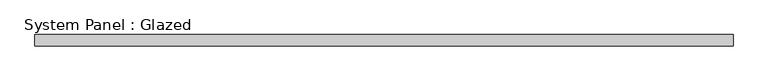
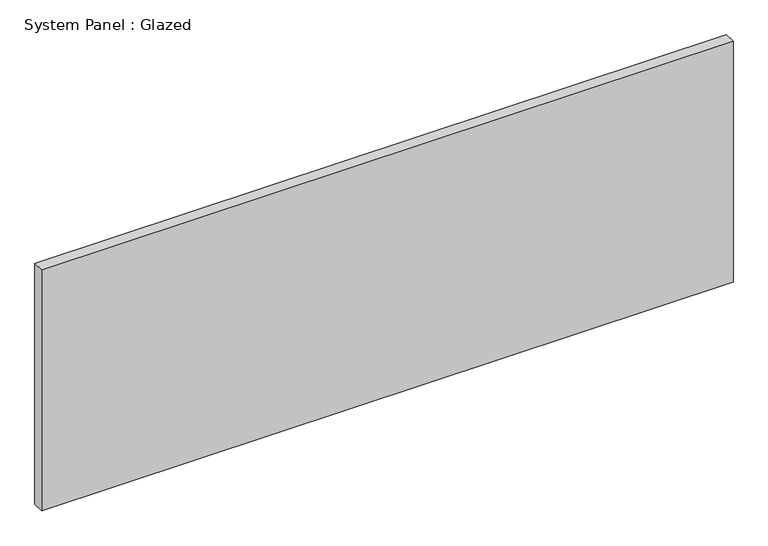
"""IFC4 building model written with IfcOpenShell, lengths in millimetres: plate geometry, System Panel : Glazed."""

from ifc_helpers import new_model, si_unit, origin, origin_with_axes, place, context, project, spatial, polyline, outline, extrude, source, transform, mapped, element, save


def system_panel_glazed_a2f8d024(model_context):
    return source(origin(), model_context, "Body", "SweptSolid", [
        extrude(outline(polyline([(756.7501169, 24.5), (-756.7501169, 24.5), (-756.7501169, 49.5), (756.7501169, 49.5), (756.7501169, 24.5)])), origin_with_axes(), (0.0, 0.0, 1.0), 557.4833333),
    ])


if __name__ == "__main__":
    model = new_model("IFC4")
    model_context = context("Model", 3, world=origin())
    ifc_project = project(units=[si_unit("LENGTHUNIT", "METRE", prefix="MILLI")], contexts=[model_context])
    site = spatial("IfcSite", under=ifc_project)
    building = spatial("IfcBuilding", under=site)
    placement = place(None, origin())
    system_panel_glazed_shape = system_panel_glazed_a2f8d024(model_context)
    element("IfcPlate", 1, ObjectType="System Panel : Glazed", at=placement, inside=building, context=model_context, shape_type="MappedRepresentation", body=[
        mapped(system_panel_glazed_shape, transform((0.0, 0.0, 0.0), x_axis=(1.0, 0.0, 0.0), y_axis=(0.0, 1.0, 0.0), z_axis=(0.0, 0.0, 1.0))),
    ])
    save(model, "model.ifc")
